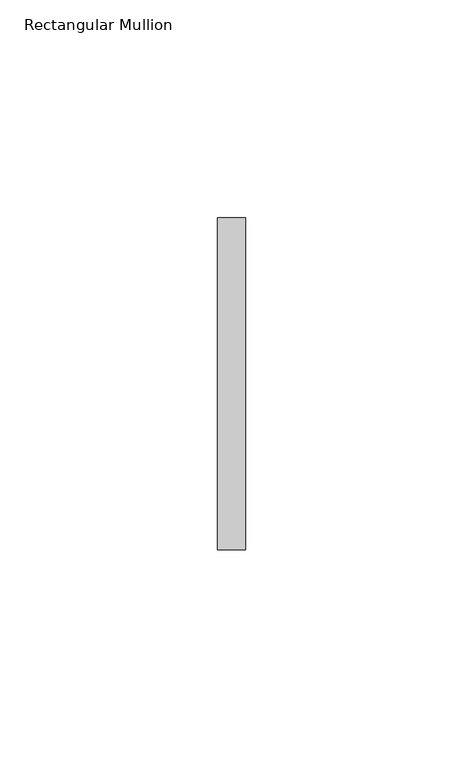
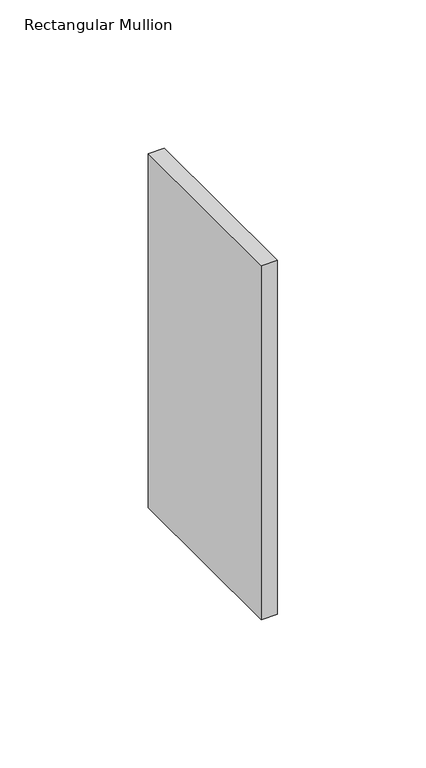
"""IFC4 building model written with IfcOpenShell, lengths in millimetres: member geometry, Rectangular Mullion."""

from ifc_helpers import new_model, si_unit, frame, origin, place, context, project, spatial, polyline, outline, extrude, source, transform, mapped, element, save


def rectangular_mullion_83c4efda(model_context):
    return source(origin(), model_context, "Body", "SweptSolid", [
        extrude(outline(polyline([(0.0, 38.1), (0.0, -38.1), (-6.35, -38.1), (-6.35, 38.1), (0.0, 38.1)])), frame((0.0, 0.0, -145.8543684), z_axis=(0.0, 0.0, 1.0), x_axis=(1.0, 0.0, 0.0)), (0.0, 0.0, 1.0), 145.8543684),
    ])


if __name__ == "__main__":
    model = new_model("IFC4")
    model_context = context("Model", 3, world=origin())
    ifc_project = project(units=[si_unit("LENGTHUNIT", "METRE", prefix="MILLI")], contexts=[model_context])
    site = spatial("IfcSite", under=ifc_project)
    building = spatial("IfcBuilding", under=site)
    placement = place(None, origin())
    rectangular_mullion_shape = rectangular_mullion_83c4efda(model_context)
    element("IfcMember", 1, ObjectType="Rectangular Mullion", at=placement, inside=building, context=model_context, shape_type="MappedRepresentation", body=[
        mapped(rectangular_mullion_shape, transform((0.0, 0.0, 0.0), x_axis=(1.0, 0.0, 0.0), y_axis=(0.0, 1.0, 0.0), z_axis=(0.0, 0.0, 1.0))),
    ])
    save(model, "model.ifc")
